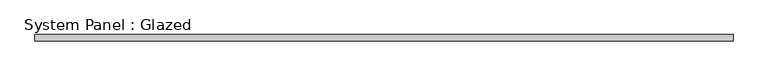
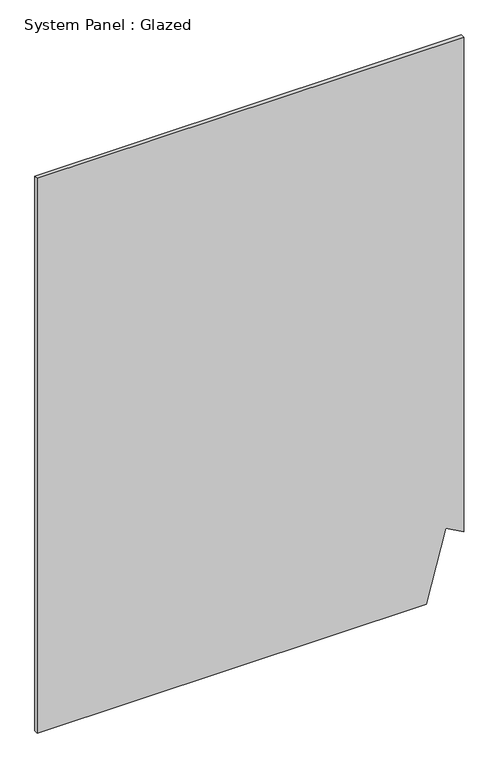
"""IFC4 building model written with IfcOpenShell, lengths in millimetres: plate geometry, System Panel : Glazed."""

from ifc_helpers import new_model, si_unit, frame, origin, place, context, project, spatial, polyline, outline, extrude, source, transform, mapped, element, save


def system_panel_glazed_2d91fc97(model_context):
    return source(origin(), model_context, "Body", "SweptSolid", [
        extrude(outline(polyline([(0.0, -1400.0), (0.0, 1154.3355175), (482.1176164, 1283.5185434), (417.4128551, 1400.0), (3850.0, 1400.0), (3850.0, -1400.0), (0.0, -1400.0)])), frame((0.0, -22.5, 0.0), z_axis=(0.0, 1.0, 0.0), x_axis=(0.0, 0.0, 1.0)), (0.0, 0.0, 1.0), 25.0),
    ])


if __name__ == "__main__":
    model = new_model("IFC4")
    model_context = context("Model", 3, world=origin())
    ifc_project = project(units=[si_unit("LENGTHUNIT", "METRE", prefix="MILLI")], contexts=[model_context])
    site = spatial("IfcSite", under=ifc_project)
    building = spatial("IfcBuilding", under=site)
    placement = place(None, origin())
    system_panel_glazed_shape = system_panel_glazed_2d91fc97(model_context)
    element("IfcPlate", 1, ObjectType="System Panel : Glazed", at=placement, inside=building, context=model_context, shape_type="MappedRepresentation", body=[
        mapped(system_panel_glazed_shape, transform((0.0, 0.0, 0.0), x_axis=(1.0, 0.0, 0.0), y_axis=(0.0, 1.0, 0.0), z_axis=(0.0, 0.0, 1.0))),
    ])
    save(model, "model.ifc")
